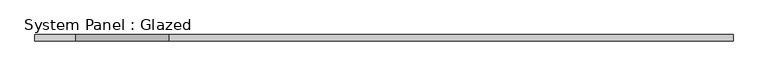
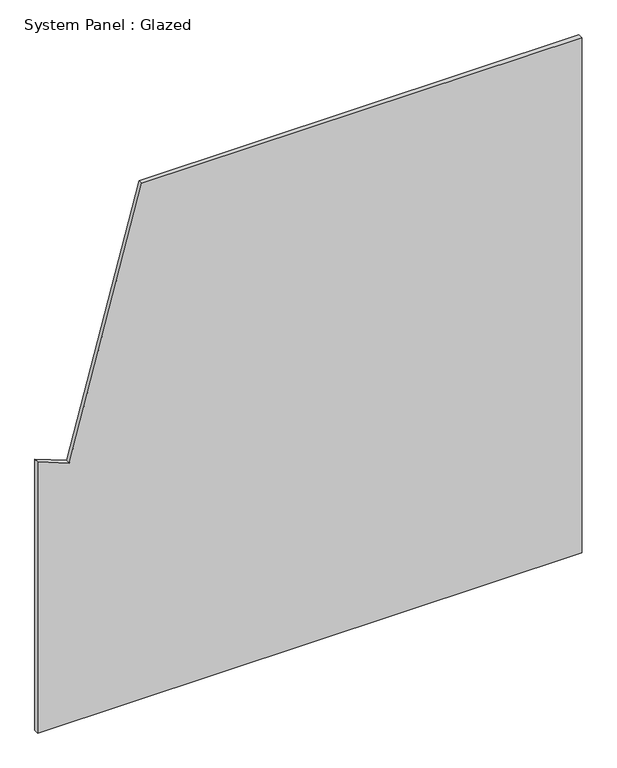
"""IFC4 building model written with IfcOpenShell, lengths in millimetres: plate geometry, System Panel : Glazed."""

from ifc_helpers import new_model, si_unit, frame, origin, place, context, project, spatial, polyline, outline, extrude, source, transform, mapped, element, save


def system_panel_glazed_a78d4ea2(model_context):
    return source(origin(), model_context, "Body", "SweptSolid", [
        extrude(outline(polyline([(0.0, -1425.0), (0.0, 1425.0), (2850.0, 1425.0), (2850.0, -879.539921), (1435.6325263, -1258.5185434), (1500.3372875, -1425.0), (0.0, -1425.0)])), frame((0.0, -22.5, 0.0), z_axis=(0.0, 1.0, 0.0), x_axis=(0.0, 0.0, 1.0)), (0.0, 0.0, 1.0), 25.0),
    ])


if __name__ == "__main__":
    model = new_model("IFC4")
    model_context = context("Model", 3, world=origin())
    ifc_project = project(units=[si_unit("LENGTHUNIT", "METRE", prefix="MILLI")], contexts=[model_context])
    site = spatial("IfcSite", under=ifc_project)
    building = spatial("IfcBuilding", under=site)
    placement = place(None, origin())
    system_panel_glazed_shape = system_panel_glazed_a78d4ea2(model_context)
    element("IfcPlate", 1, ObjectType="System Panel : Glazed", at=placement, inside=building, context=model_context, shape_type="MappedRepresentation", body=[
        mapped(system_panel_glazed_shape, transform((0.0, 0.0, 0.0), x_axis=(1.0, 0.0, 0.0), y_axis=(0.0, 1.0, 0.0), z_axis=(0.0, 0.0, 1.0))),
    ])
    save(model, "model.ifc")
